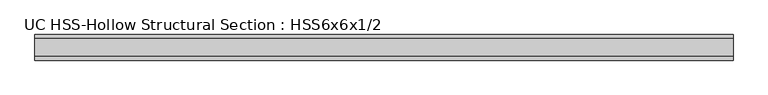
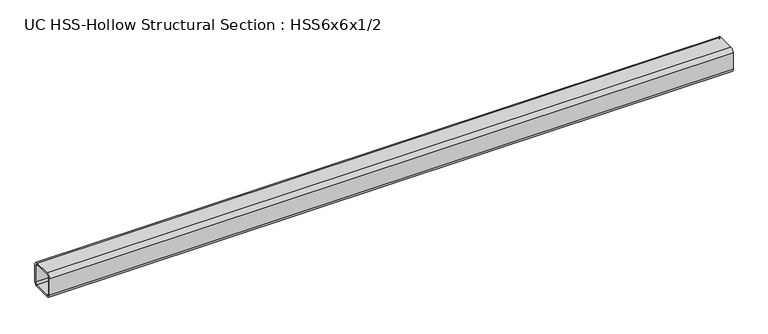
"""IFC4 building model written with IfcOpenShell, lengths in millimetres: member geometry, UC HSS-Hollow Structural Section : HSS6x6x1/2."""

from ifc_helpers import new_model, si_unit, point, frame, frame_2d, origin, place, context, project, spatial, polyline, circle_curve, trimmed, segment, composite_curve, outline, extrude, source, transform, mapped, element, save


def uc_hss_hollow_structural_section_hss6x6x1_2_673f67b9(model_context):
    return source(origin(), model_context, "Body", "SweptSolid", [
        extrude(outline(composite_curve([segment(trimmed(circle_curve(frame_2d((-52.578, 52.578)), 23.622), [point((-76.2, 52.578))], [point((-52.578, 76.2))], False, "CARTESIAN"), True, "CONTINUOUS"), segment(polyline([(-52.578, 76.2), (52.578, 76.2)]), True, "CONTINUOUS"), segment(trimmed(circle_curve(frame_2d((52.578, 52.578)), 23.622), [point((52.578, 76.2))], [point((76.2, 52.578))], False, "CARTESIAN"), True, "CONTINUOUS"), segment(polyline([(76.2, 52.578), (76.2, -52.578)]), True, "CONTINUOUS"), segment(trimmed(circle_curve(frame_2d((52.578, -52.578)), 23.622), [point((76.2, -52.578))], [point((52.578, -76.2))], False, "CARTESIAN"), True, "CONTINUOUS"), segment(polyline([(52.578, -76.2), (-52.578, -76.2)]), True, "CONTINUOUS"), segment(trimmed(circle_curve(frame_2d((-52.578, -52.578)), 23.622), [point((-52.578, -76.2))], [point((-76.2, -52.578))], False, "CARTESIAN"), True, "CONTINUOUS"), segment(polyline([(-76.2, -52.578), (-76.2, 52.578)]), True, "CONTINUOUS")], self_intersect=False), holes=[composite_curve([segment(polyline([(52.578, 64.389), (-52.578, 64.389)]), True, "CONTINUOUS"), segment(trimmed(circle_curve(frame_2d((-52.578, 52.578)), 11.811), [point((-52.578, 64.389))], [point((-64.389, 52.578))], True, "CARTESIAN"), True, "CONTINUOUS"), segment(polyline([(-64.389, 52.578), (-64.389, -52.578)]), True, "CONTINUOUS"), segment(trimmed(circle_curve(frame_2d((-52.578, -52.578)), 11.811), [point((-64.389, -52.578))], [point((-52.578, -64.389))], True, "CARTESIAN"), True, "CONTINUOUS"), segment(polyline([(-52.578, -64.389), (52.578, -64.389)]), True, "CONTINUOUS"), segment(trimmed(circle_curve(frame_2d((52.578, -52.578)), 11.811), [point((52.578, -64.389))], [point((64.389, -52.578))], True, "CARTESIAN"), True, "CONTINUOUS"), segment(polyline([(64.389, -52.578), (64.389, 52.578)]), True, "CONTINUOUS"), segment(trimmed(circle_curve(frame_2d((52.578, 52.578)), 11.811), [point((64.389, 52.578))], [point((52.578, 64.389))], True, "CARTESIAN"), True, "CONTINUOUS")], self_intersect=False)]), frame((-2078.3527896, 0.0, 0.0), z_axis=(1.0, 0.0, 0.0), x_axis=(0.0, 1.0, 0.0)), (0.0, 0.0, 1.0), 4155.1484315),
    ])


if __name__ == "__main__":
    model = new_model("IFC4")
    model_context = context("Model", 3, world=origin())
    ifc_project = project(units=[si_unit("LENGTHUNIT", "METRE", prefix="MILLI")], contexts=[model_context])
    site = spatial("IfcSite", under=ifc_project)
    building = spatial("IfcBuilding", under=site)
    placement = place(None, origin())
    uc_hss_hollow_structural_section_hss6x6x1_2_shape = uc_hss_hollow_structural_section_hss6x6x1_2_673f67b9(model_context)
    element("IfcMember", 1, ObjectType="UC HSS-Hollow Structural Section : HSS6x6x1/2", at=placement, inside=building, context=model_context, shape_type="MappedRepresentation", body=[
        mapped(uc_hss_hollow_structural_section_hss6x6x1_2_shape, transform((0.0, 0.0, 0.0), x_axis=(1.0, 0.0, 0.0), y_axis=(0.0, 1.0, 0.0), z_axis=(0.0, 0.0, 1.0))),
    ])
    save(model, "model.ifc")
